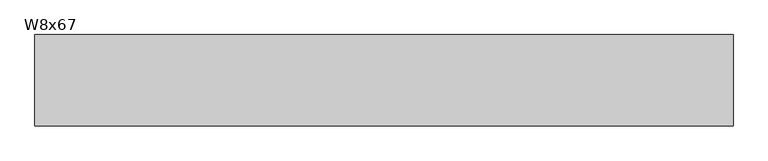
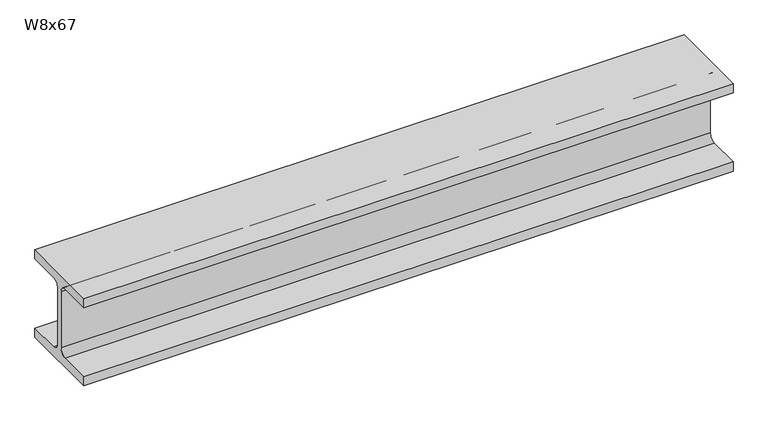
"""IFC4 building model written with IfcOpenShell, lengths in millimetres: beam geometry, W8x67."""

from ifc_helpers import new_model, si_unit, point, frame, frame_2d, origin, place, context, project, spatial, polyline, circle_curve, trimmed, segment, composite_curve, outline, extrude, source, transform, mapped, element, save


def w8x67_26f74194(model_context):
    return source(origin(), model_context, "Body", "SweptSolid", [
        extrude(outline(composite_curve([segment(polyline([(-105.156, -90.551), (-24.765, -90.551)]), True, "CONTINUOUS"), segment(trimmed(circle_curve(frame_2d((-24.765, -73.025)), 17.526), [point((-24.765, -90.551))], [point((-7.239, -73.025))], True, "CARTESIAN"), True, "CONTINUOUS"), segment(polyline([(-7.239, -73.025), (-7.239, 73.025)]), True, "CONTINUOUS"), segment(trimmed(circle_curve(frame_2d((-24.765, 73.025)), 17.526), [point((-7.239, 73.025))], [point((-24.765, 90.551))], True, "CARTESIAN"), True, "CONTINUOUS"), segment(polyline([(-24.765, 90.551), (-105.156, 90.551), (-105.156, 114.3), (105.156, 114.3), (105.156, 90.551), (24.765, 90.551)]), True, "CONTINUOUS"), segment(trimmed(circle_curve(frame_2d((24.765, 73.025)), 17.526), [point((24.765, 90.551))], [point((7.239, 73.025))], True, "CARTESIAN"), True, "CONTINUOUS"), segment(polyline([(7.239, 73.025), (7.239, -73.025)]), True, "CONTINUOUS"), segment(trimmed(circle_curve(frame_2d((24.765, -73.025)), 17.526), [point((7.239, -73.025))], [point((24.765, -90.551))], True, "CARTESIAN"), True, "CONTINUOUS"), segment(polyline([(24.765, -90.551), (105.156, -90.551), (105.156, -114.3), (-105.156, -114.3), (-105.156, -90.551)]), True, "CONTINUOUS")], self_intersect=False)), frame((-803.275, 0.0, 0.0), z_axis=(1.0, 0.0, 0.0), x_axis=(0.0, 1.0, 0.0)), (0.0, 0.0, 1.0), 1606.55),
    ])


if __name__ == "__main__":
    model = new_model("IFC4")
    model_context = context("Model", 3, world=origin())
    ifc_project = project(units=[si_unit("LENGTHUNIT", "METRE", prefix="MILLI")], contexts=[model_context])
    site = spatial("IfcSite", under=ifc_project)
    building = spatial("IfcBuilding", under=site)
    placement = place(None, origin())
    w8x67_shape = w8x67_26f74194(model_context)
    element("IfcBeam", 1, ObjectType="W8x67", at=placement, inside=building, context=model_context, shape_type="MappedRepresentation", body=[
        mapped(w8x67_shape, transform((0.0, 0.0, 0.0), x_axis=(1.0, 0.0, 0.0), y_axis=(0.0, 1.0, 0.0), z_axis=(0.0, 0.0, 1.0))),
    ])
    save(model, "model.ifc")
